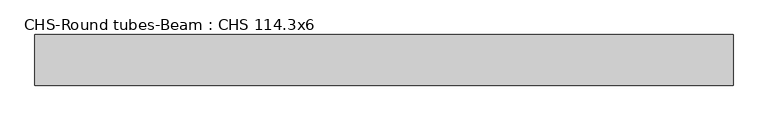
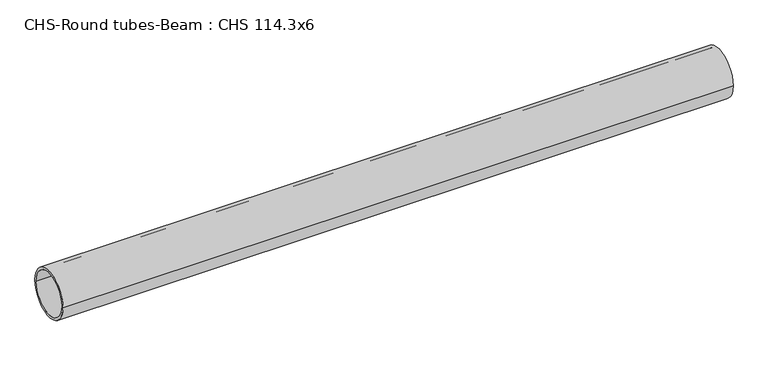
"""IFC4 building model written with IfcOpenShell, lengths in millimetres: beam geometry, CHS-Round tubes-Beam : CHS 114.3x6."""

import ifcopenshell
import ifcopenshell.guid

model = None  # the IFC model being written
_history = None  # IfcOwnerHistory: only IFC2X3 demands one
_inside = {}  # id of a spatial element -> (the spatial element, [elements in it])
_under = {}  # id of a project, library or spatial element -> (it, [spatial elements below it])
_declared = {}  # id of a project -> (the project, [libraries it declares])
_typed = {}  # id of a type object -> (the type object, [elements of that type])
_made_of = {}  # id of a material, layer set ... -> (it, [elements and type objects made of it])


def new_model(schema):
    """Start an empty IFC model of exactly this schema.

    Asked for "IFC4X3", IfcOpenShell would pick the latest addendum, in which some entities
    have other attributes; the version numbers below select the first issue.
    IFC2X3 requires an IfcOwnerHistory on every rooted entity: one is made here for all.
    """
    global model, _history
    if schema == "IFC4X3":
        model = ifcopenshell.file(schema_version=(4, 3, 0, 0))
    else:
        model = ifcopenshell.file(schema=schema)
    _inside.clear()
    _under.clear()
    _declared.clear()
    _typed.clear()
    _made_of.clear()
    _history = None
    if model.schema == "IFC2X3":
        org = make("IfcOrganization", Name="unknown")
        user = make(
            "IfcPersonAndOrganization",
            ThePerson=make("IfcPerson", FamilyName="unknown"),
            TheOrganization=org,
        )
        app = make(
            "IfcApplication",
            ApplicationDeveloper=org,
            Version="unknown",
            ApplicationFullName="unknown",
            ApplicationIdentifier="unknown",
        )
        _history = make(
            "IfcOwnerHistory",
            OwningUser=user,
            OwningApplication=app,
            ChangeAction="ADDED",
            CreationDate=0,
        )
    return model


def make(cls, **values):
    """One entity of the class cls with the attributes given. An attribute that is None is left unset."""
    return model.create_entity(
        cls, **{name: value for name, value in values.items() if value is not None}
    )


def rooted(cls, **values):
    """An entity with a GlobalId (a new one), such as an element, a storey or a relation."""
    return make(cls, GlobalId=ifcopenshell.guid.new(), OwnerHistory=_history, **values)


def si_unit(unit_type, name, prefix=None):
    """IfcSIUnit, for example si_unit("LENGTHUNIT", "METRE", prefix="MILLI")."""
    return make("IfcSIUnit", UnitType=unit_type, Prefix=prefix, Name=name)


def assignment(units):
    """IfcUnitAssignment: the units of a project."""
    return None if units is None else make("IfcUnitAssignment", Units=units)


def point(xyz):
    """IfcCartesianPoint."""
    return None if xyz is None else make("IfcCartesianPoint", Coordinates=xyz)


def direction(xyz):
    """IfcDirection."""
    return None if xyz is None else make("IfcDirection", DirectionRatios=xyz)


def frame(location, z_axis=None, x_axis=None):
    """IfcAxis2Placement3D, a coordinate frame: its origin and axes. An axis left out is left unset."""
    return make(
        "IfcAxis2Placement3D",
        Location=point(location),
        Axis=direction(z_axis),
        RefDirection=direction(x_axis),
    )


def frame_2d(location, x_axis=None):
    """IfcAxis2Placement2D, a coordinate frame in the plane: its origin and x axis."""
    return make(
        "IfcAxis2Placement2D", Location=point(location), RefDirection=direction(x_axis)
    )


def origin():
    """The frame at (0, 0, 0) with its axes left unset."""
    return frame((0.0, 0.0, 0.0))


def origin_2d():
    """The frame at (0, 0) in the plane with its x axis left unset."""
    return frame_2d((0.0, 0.0))


def place(relative_to, where):
    """IfcLocalPlacement: puts the frame where relative to a parent placement (None: the world)."""
    return make(
        "IfcLocalPlacement", PlacementRelTo=relative_to, RelativePlacement=where
    )


def context(
    kind, dimensions, precision=None, world=None, true_north=None, identifier=None
):
    """IfcGeometricRepresentationContext, for example the 3D "Model" context."""
    return make(
        "IfcGeometricRepresentationContext",
        ContextIdentifier=identifier,
        ContextType=kind,
        CoordinateSpaceDimension=dimensions,
        Precision=precision,
        WorldCoordinateSystem=world,
        TrueNorth=true_north,
    )


def project(units=None, contexts=None):
    """IfcProject with its units and contexts."""
    return rooted(
        "IfcProject",
        Name="project",
        RepresentationContexts=contexts,
        UnitsInContext=assignment(units),
    )


def spatial(cls, under=None, at=None, **own):
    """A site, building, storey or space (cls), placed at a placement, below another one or the project."""
    s = rooted(cls, ObjectPlacement=at, **own)
    if under is not None:
        _under.setdefault(under.id(), (under, []))[1].append(s)
    return s


def circle_curve(where, radius):
    """IfcCircle in the frame where."""
    return make("IfcCircle", Position=where, Radius=radius)


def trimmed(basis, trim1, trim2, sense, master):
    """IfcTrimmedCurve: the piece of a basis curve between two trims."""
    return make(
        "IfcTrimmedCurve",
        BasisCurve=basis,
        Trim1=trim1,
        Trim2=trim2,
        SenseAgreement=sense,
        MasterRepresentation=master,
    )


def segment(curve, same_sense, transition):
    """IfcCompositeCurveSegment."""
    return make(
        "IfcCompositeCurveSegment",
        Transition=transition,
        SameSense=same_sense,
        ParentCurve=curve,
    )


def composite_curve(segments, self_intersect=None):
    """IfcCompositeCurve: segments joined end to end."""
    return make("IfcCompositeCurve", Segments=segments, SelfIntersect=self_intersect)


def outline(outer, holes=None, kind="AREA"):
    """IfcArbitraryClosedProfileDef: a profile drawn as a closed curve; with holes, ...WithVoids."""
    if holes is None:
        return make("IfcArbitraryClosedProfileDef", ProfileType=kind, OuterCurve=outer)
    return make(
        "IfcArbitraryProfileDefWithVoids",
        ProfileType=kind,
        OuterCurve=outer,
        InnerCurves=holes,
    )


def extrude(swept, where, along, depth):
    """IfcExtrudedAreaSolid: the profile swept, set in the frame where, extruded along a direction by depth."""
    return make(
        "IfcExtrudedAreaSolid",
        SweptArea=swept,
        Position=where,
        ExtrudedDirection=direction(along),
        Depth=depth,
    )


def shape(context_of_items, identifier, shape_type, items):
    """IfcShapeRepresentation: the items that make up one representation, for example the "Body"."""
    return make(
        "IfcShapeRepresentation",
        ContextOfItems=context_of_items,
        RepresentationIdentifier=identifier,
        RepresentationType=shape_type,
        Items=items,
    )


def source(mapping_origin, context_of_items, identifier, shape_type, items):
    """IfcRepresentationMap: a shape defined once, which mapped items show again and again."""
    return make(
        "IfcRepresentationMap",
        MappingOrigin=mapping_origin,
        MappedRepresentation=shape(context_of_items, identifier, shape_type, items),
    )


def transform(
    local_origin,
    x_axis=None,
    y_axis=None,
    z_axis=None,
    scale=None,
    scale2=None,
    scale3=None,
    uniform=True,
):
    """IfcCartesianTransformationOperator3D, or its non-uniform kind. x_axis, y_axis, z_axis: its Axis1, 2, 3."""
    if uniform:
        return make(
            "IfcCartesianTransformationOperator3D",
            Axis1=direction(x_axis),
            Axis2=direction(y_axis),
            LocalOrigin=point(local_origin),
            Scale=scale,
            Axis3=direction(z_axis),
        )
    return make(
        "IfcCartesianTransformationOperator3DnonUniform",
        Axis1=direction(x_axis),
        Axis2=direction(y_axis),
        LocalOrigin=point(local_origin),
        Scale=scale,
        Axis3=direction(z_axis),
        Scale2=scale2,
        Scale3=scale3,
    )


def mapped(mapping_source, mapping_target):
    """IfcMappedItem: shows the shape of a source again, moved by a transform."""
    return make(
        "IfcMappedItem", MappingSource=mapping_source, MappingTarget=mapping_target
    )


def made_of(thing, what):
    """Note that an element or type object is made of a material, layer set ...; save() writes the relation."""
    if what is not None:
        _made_of.setdefault(what.id(), (what, []))[1].append(thing)
    return thing


def element(
    cls,
    number,
    at=None,
    inside=None,
    cuts=None,
    type_object=None,
    material=None,
    context=None,
    identifier="Body",
    shape_type=None,
    held_by="IfcProductDefinitionShape",
    body=None,
    shapes=None,
    **own,
):
    """One element of the class cls, such as IfcWall. Its Tag is "e" and its number.

    at: its placement. inside: the storey or other place that contains it. cuts: it is an
    opening in that element (IfcRelVoidsElement). A single representation is given by context,
    identifier, shape_type and body (its items); several are given by shapes. held_by: the class
    of the entity that holds the representations. save() writes the other relations.
    """
    e = rooted(cls, Tag="e%d" % number, ObjectPlacement=at, **own)
    if body is not None:
        shapes = [shape(context, identifier, shape_type, body)]
    if shapes is not None:
        e.Representation = make(held_by, Representations=shapes)
    if inside is not None:
        _inside.setdefault(inside.id(), (inside, []))[1].append(e)
    if cuts is not None:
        rooted(
            "IfcRelVoidsElement", RelatingBuildingElement=cuts, RelatedOpeningElement=e
        )
    if type_object is not None:
        _typed.setdefault(type_object.id(), (type_object, []))[1].append(e)
    return made_of(e, material)


def aggregate(whole, parts):
    """IfcRelAggregates: a whole, such as a stair, and the parts it consists of."""
    return rooted("IfcRelAggregates", RelatingObject=whole, RelatedObjects=parts)


def save(model, path):
    """Write the relations noted so far, then the file.

    IfcRelAggregates (storeys below a building ...), IfcRelContainedInSpatialStructure (elements
    in a storey), IfcRelDefinesByType, IfcRelAssociatesMaterial and IfcRelDeclares: one each for
    every whole, place, type object, material and project.
    """
    for whole, parts in _under.values():
        aggregate(whole, parts)
    for where, things in _inside.values():
        rooted(
            "IfcRelContainedInSpatialStructure",
            RelatedElements=things,
            RelatingStructure=where,
        )
    for kind, things in _typed.values():
        rooted("IfcRelDefinesByType", RelatedObjects=things, RelatingType=kind)
    for what, things in _made_of.values():
        rooted("IfcRelAssociatesMaterial", RelatedObjects=things, RelatingMaterial=what)
    for by, libraries in _declared.values():
        rooted("IfcRelDeclares", RelatingContext=by, RelatedDefinitions=libraries)
    model.write(path)


def chs_round_tubes_beam_chs_114_3x6_0b8a7967(model_context):
    return source(origin(), model_context, "Body", "SweptSolid", [
        extrude(outline(composite_curve([segment(trimmed(circle_curve(origin_2d(), 57.15), [point((57.15, 0.0))], [point((-57.15, 0.0))], False, "CARTESIAN"), True, "CONTINUOUS"), segment(trimmed(circle_curve(origin_2d(), 57.15), [point((-57.15, 0.0))], [point((57.15, 0.0))], False, "CARTESIAN"), True, "CONTINUOUS")], self_intersect=False), holes=[composite_curve([segment(trimmed(circle_curve(origin_2d(), 51.15), [point((51.15, 0.0))], [point((-51.15, 0.0))], True, "CARTESIAN"), True, "CONTINUOUS"), segment(trimmed(circle_curve(origin_2d(), 51.15), [point((-51.15, 0.0))], [point((51.15, 0.0))], True, "CARTESIAN"), True, "CONTINUOUS")], self_intersect=False)]), frame((-782.6797971, 0.0, 0.0), z_axis=(1.0, 0.0, 0.0), x_axis=(0.0, 1.0, 0.0)), (0.0, 0.0, 1.0), 1575.529915),
    ])


if __name__ == "__main__":
    model = new_model("IFC4")
    model_context = context("Model", 3, world=origin())
    ifc_project = project(units=[si_unit("LENGTHUNIT", "METRE", prefix="MILLI")], contexts=[model_context])
    site = spatial("IfcSite", under=ifc_project)
    building = spatial("IfcBuilding", under=site)
    placement = place(None, origin())
    chs_round_tubes_beam_chs_114_3x6_shape = chs_round_tubes_beam_chs_114_3x6_0b8a7967(model_context)
    element("IfcBeam", 1, ObjectType="CHS-Round tubes-Beam : CHS 114.3x6", at=placement, inside=building, context=model_context, shape_type="MappedRepresentation", body=[
        mapped(chs_round_tubes_beam_chs_114_3x6_shape, transform((0.0, 0.0, 0.0), x_axis=(1.0, 0.0, 0.0), y_axis=(0.0, 1.0, 0.0), z_axis=(0.0, 0.0, 1.0))),
    ])
    save(model, "model.ifc")
